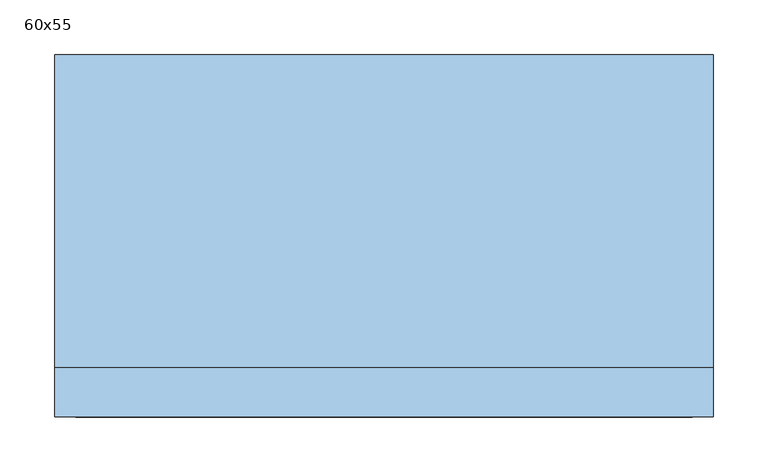
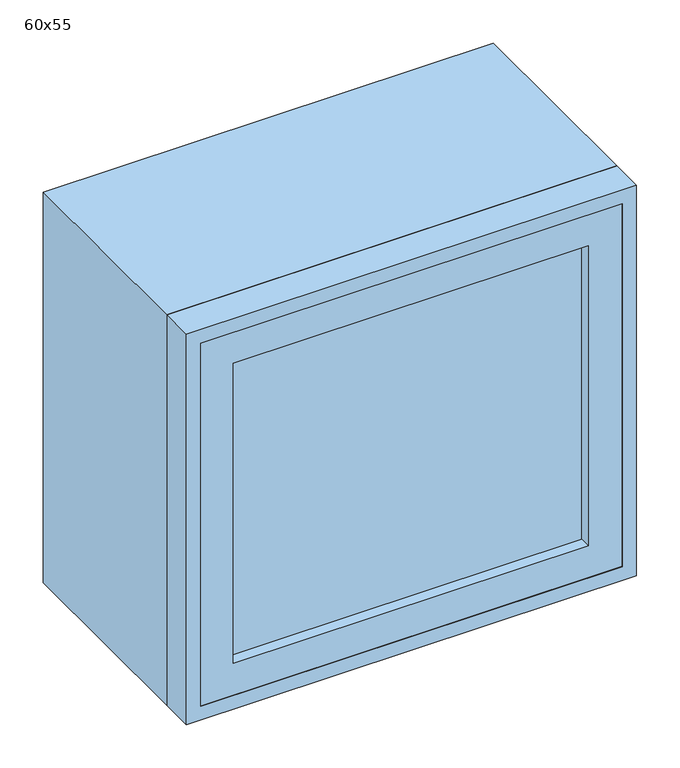
"""IFC4 building model written with IfcOpenShell, lengths in millimetres: window geometry, 60x55."""

import ifcopenshell
import ifcopenshell.guid

model = None  # the IFC model being written
_history = None  # IfcOwnerHistory: only IFC2X3 demands one
_inside = {}  # id of a spatial element -> (the spatial element, [elements in it])
_under = {}  # id of a project, library or spatial element -> (it, [spatial elements below it])
_declared = {}  # id of a project -> (the project, [libraries it declares])
_typed = {}  # id of a type object -> (the type object, [elements of that type])
_made_of = {}  # id of a material, layer set ... -> (it, [elements and type objects made of it])


def new_model(schema):
    """Start an empty IFC model of exactly this schema.

    Asked for "IFC4X3", IfcOpenShell would pick the latest addendum, in which some entities
    have other attributes; the version numbers below select the first issue.
    IFC2X3 requires an IfcOwnerHistory on every rooted entity: one is made here for all.
    """
    global model, _history
    if schema == "IFC4X3":
        model = ifcopenshell.file(schema_version=(4, 3, 0, 0))
    else:
        model = ifcopenshell.file(schema=schema)
    _inside.clear()
    _under.clear()
    _declared.clear()
    _typed.clear()
    _made_of.clear()
    _history = None
    if model.schema == "IFC2X3":
        org = make("IfcOrganization", Name="unknown")
        user = make(
            "IfcPersonAndOrganization",
            ThePerson=make("IfcPerson", FamilyName="unknown"),
            TheOrganization=org,
        )
        app = make(
            "IfcApplication",
            ApplicationDeveloper=org,
            Version="unknown",
            ApplicationFullName="unknown",
            ApplicationIdentifier="unknown",
        )
        _history = make(
            "IfcOwnerHistory",
            OwningUser=user,
            OwningApplication=app,
            ChangeAction="ADDED",
            CreationDate=0,
        )
    return model


def make(cls, **values):
    """One entity of the class cls with the attributes given. An attribute that is None is left unset."""
    return model.create_entity(
        cls, **{name: value for name, value in values.items() if value is not None}
    )


def rooted(cls, **values):
    """An entity with a GlobalId (a new one), such as an element, a storey or a relation."""
    return make(cls, GlobalId=ifcopenshell.guid.new(), OwnerHistory=_history, **values)


def si_unit(unit_type, name, prefix=None):
    """IfcSIUnit, for example si_unit("LENGTHUNIT", "METRE", prefix="MILLI")."""
    return make("IfcSIUnit", UnitType=unit_type, Prefix=prefix, Name=name)


def assignment(units):
    """IfcUnitAssignment: the units of a project."""
    return None if units is None else make("IfcUnitAssignment", Units=units)


def point(xyz):
    """IfcCartesianPoint."""
    return None if xyz is None else make("IfcCartesianPoint", Coordinates=xyz)


def direction(xyz):
    """IfcDirection."""
    return None if xyz is None else make("IfcDirection", DirectionRatios=xyz)


def frame(location, z_axis=None, x_axis=None):
    """IfcAxis2Placement3D, a coordinate frame: its origin and axes. An axis left out is left unset."""
    return make(
        "IfcAxis2Placement3D",
        Location=point(location),
        Axis=direction(z_axis),
        RefDirection=direction(x_axis),
    )


def origin():
    """The frame at (0, 0, 0) with its axes left unset."""
    return frame((0.0, 0.0, 0.0))


def place(relative_to, where):
    """IfcLocalPlacement: puts the frame where relative to a parent placement (None: the world)."""
    return make(
        "IfcLocalPlacement", PlacementRelTo=relative_to, RelativePlacement=where
    )


def context(
    kind, dimensions, precision=None, world=None, true_north=None, identifier=None
):
    """IfcGeometricRepresentationContext, for example the 3D "Model" context."""
    return make(
        "IfcGeometricRepresentationContext",
        ContextIdentifier=identifier,
        ContextType=kind,
        CoordinateSpaceDimension=dimensions,
        Precision=precision,
        WorldCoordinateSystem=world,
        TrueNorth=true_north,
    )


def project(units=None, contexts=None):
    """IfcProject with its units and contexts."""
    return rooted(
        "IfcProject",
        Name="project",
        RepresentationContexts=contexts,
        UnitsInContext=assignment(units),
    )


def spatial(cls, under=None, at=None, **own):
    """A site, building, storey or space (cls), placed at a placement, below another one or the project."""
    s = rooted(cls, ObjectPlacement=at, **own)
    if under is not None:
        _under.setdefault(under.id(), (under, []))[1].append(s)
    return s


def polyline(points):
    """IfcPolyline through the points."""
    return make("IfcPolyline", Points=[point(p) for p in points])


def outline(outer, holes=None, kind="AREA"):
    """IfcArbitraryClosedProfileDef: a profile drawn as a closed curve; with holes, ...WithVoids."""
    if holes is None:
        return make("IfcArbitraryClosedProfileDef", ProfileType=kind, OuterCurve=outer)
    return make(
        "IfcArbitraryProfileDefWithVoids",
        ProfileType=kind,
        OuterCurve=outer,
        InnerCurves=holes,
    )


def extrude(swept, where, along, depth):
    """IfcExtrudedAreaSolid: the profile swept, set in the frame where, extruded along a direction by depth."""
    return make(
        "IfcExtrudedAreaSolid",
        SweptArea=swept,
        Position=where,
        ExtrudedDirection=direction(along),
        Depth=depth,
    )


def shape(context_of_items, identifier, shape_type, items):
    """IfcShapeRepresentation: the items that make up one representation, for example the "Body"."""
    return make(
        "IfcShapeRepresentation",
        ContextOfItems=context_of_items,
        RepresentationIdentifier=identifier,
        RepresentationType=shape_type,
        Items=items,
    )


def source(mapping_origin, context_of_items, identifier, shape_type, items):
    """IfcRepresentationMap: a shape defined once, which mapped items show again and again."""
    return make(
        "IfcRepresentationMap",
        MappingOrigin=mapping_origin,
        MappedRepresentation=shape(context_of_items, identifier, shape_type, items),
    )


def transform(
    local_origin,
    x_axis=None,
    y_axis=None,
    z_axis=None,
    scale=None,
    scale2=None,
    scale3=None,
    uniform=True,
):
    """IfcCartesianTransformationOperator3D, or its non-uniform kind. x_axis, y_axis, z_axis: its Axis1, 2, 3."""
    if uniform:
        return make(
            "IfcCartesianTransformationOperator3D",
            Axis1=direction(x_axis),
            Axis2=direction(y_axis),
            LocalOrigin=point(local_origin),
            Scale=scale,
            Axis3=direction(z_axis),
        )
    return make(
        "IfcCartesianTransformationOperator3DnonUniform",
        Axis1=direction(x_axis),
        Axis2=direction(y_axis),
        LocalOrigin=point(local_origin),
        Scale=scale,
        Axis3=direction(z_axis),
        Scale2=scale2,
        Scale3=scale3,
    )


def mapped(mapping_source, mapping_target):
    """IfcMappedItem: shows the shape of a source again, moved by a transform."""
    return make(
        "IfcMappedItem", MappingSource=mapping_source, MappingTarget=mapping_target
    )


def made_of(thing, what):
    """Note that an element or type object is made of a material, layer set ...; save() writes the relation."""
    if what is not None:
        _made_of.setdefault(what.id(), (what, []))[1].append(thing)
    return thing


def element(
    cls,
    number,
    at=None,
    inside=None,
    cuts=None,
    type_object=None,
    material=None,
    context=None,
    identifier="Body",
    shape_type=None,
    held_by="IfcProductDefinitionShape",
    body=None,
    shapes=None,
    **own,
):
    """One element of the class cls, such as IfcWall. Its Tag is "e" and its number.

    at: its placement. inside: the storey or other place that contains it. cuts: it is an
    opening in that element (IfcRelVoidsElement). A single representation is given by context,
    identifier, shape_type and body (its items); several are given by shapes. held_by: the class
    of the entity that holds the representations. save() writes the other relations.
    """
    e = rooted(cls, Tag="e%d" % number, ObjectPlacement=at, **own)
    if body is not None:
        shapes = [shape(context, identifier, shape_type, body)]
    if shapes is not None:
        e.Representation = make(held_by, Representations=shapes)
    if inside is not None:
        _inside.setdefault(inside.id(), (inside, []))[1].append(e)
    if cuts is not None:
        rooted(
            "IfcRelVoidsElement", RelatingBuildingElement=cuts, RelatedOpeningElement=e
        )
    if type_object is not None:
        _typed.setdefault(type_object.id(), (type_object, []))[1].append(e)
    return made_of(e, material)


def aggregate(whole, parts):
    """IfcRelAggregates: a whole, such as a stair, and the parts it consists of."""
    return rooted("IfcRelAggregates", RelatingObject=whole, RelatedObjects=parts)


def save(model, path):
    """Write the relations noted so far, then the file.

    IfcRelAggregates (storeys below a building ...), IfcRelContainedInSpatialStructure (elements
    in a storey), IfcRelDefinesByType, IfcRelAssociatesMaterial and IfcRelDeclares: one each for
    every whole, place, type object, material and project.
    """
    for whole, parts in _under.values():
        aggregate(whole, parts)
    for where, things in _inside.values():
        rooted(
            "IfcRelContainedInSpatialStructure",
            RelatedElements=things,
            RelatingStructure=where,
        )
    for kind, things in _typed.values():
        rooted("IfcRelDefinesByType", RelatedObjects=things, RelatingType=kind)
    for what, things in _made_of.values():
        rooted("IfcRelAssociatesMaterial", RelatedObjects=things, RelatingMaterial=what)
    for by, libraries in _declared.values():
        rooted("IfcRelDeclares", RelatingContext=by, RelatedDefinitions=libraries)
    model.write(path)


def window_60x55_01a85a23(model_context):
    return source(origin(), model_context, "Body", "SweptSolid", [
        extrude(outline(polyline([(198.4, -135.425), (198.4, -148.125), (-274.6, -148.125), (-274.6, -135.425), (198.4, -135.425)])), frame((0.0, 0.0, 963.5), z_axis=(0.0, 0.0, 1.0), x_axis=(1.0, 0.0, 0.0)), (0.0, 0.0, 1.0), 423.0),
        extrude(outline(polyline([(1430.95, -319.05), (919.05, -319.05), (919.05, 242.85), (1430.95, 242.85), (1430.95, -319.05)]), holes=[polyline([(1386.5, -274.6), (1386.5, 198.4), (963.5, 198.4), (963.5, -274.6), (1386.5, -274.6)])]), frame((0.0, -164.0, 0.0), z_axis=(0.0, 1.0, 0.0), x_axis=(0.0, 0.0, 1.0)), (0.0, 0.0, 1.0), 44.45),
        extrude(outline(polyline([(1450.0, -338.1), (900.0, -338.1), (900.0, 261.9), (1450.0, 261.9), (1450.0, -338.1)]), holes=[polyline([(1418.25, -306.35), (1418.25, 230.15), (931.75, 230.15), (931.75, -306.35), (1418.25, -306.35)])]), frame((0.0, -119.55, 0.0), z_axis=(0.0, 1.0, 0.0), x_axis=(0.0, 0.0, 1.0)), (0.0, 0.0, 1.0), 284.55),
        extrude(outline(polyline([(1450.0, 261.9), (1450.0, -338.1), (900.0, -338.1), (900.0, 261.9), (1450.0, 261.9)]), holes=[polyline([(1430.95, 242.85), (919.05, 242.85), (919.05, -319.05), (1430.95, -319.05), (1430.95, 242.85)])]), frame((0.0, -165.0, 0.0), z_axis=(0.0, 1.0, 0.0), x_axis=(0.0, 0.0, 1.0)), (0.0, 0.0, 1.0), 45.45),
    ])


if __name__ == "__main__":
    model = new_model("IFC4")
    model_context = context("Model", 3, world=origin())
    ifc_project = project(units=[si_unit("LENGTHUNIT", "METRE", prefix="MILLI")], contexts=[model_context])
    site = spatial("IfcSite", under=ifc_project)
    building = spatial("IfcBuilding", under=site)
    placement = place(None, origin())
    window_60x55_shape = window_60x55_01a85a23(model_context)
    element("IfcWindow", 1, ObjectType="60x55", at=placement, inside=building, context=model_context, shape_type="MappedRepresentation", body=[
        mapped(window_60x55_shape, transform((0.0, 0.0, 0.0), x_axis=(1.0, 0.0, 0.0), y_axis=(0.0, 1.0, 0.0), z_axis=(0.0, 0.0, 1.0))),
    ])
    save(model, "model.ifc")
